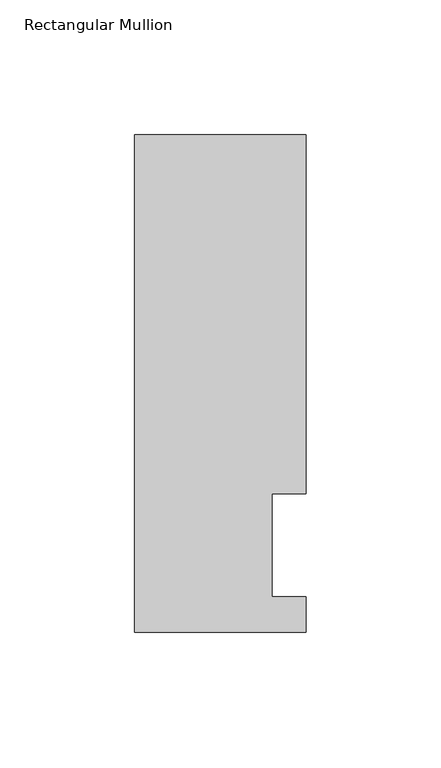
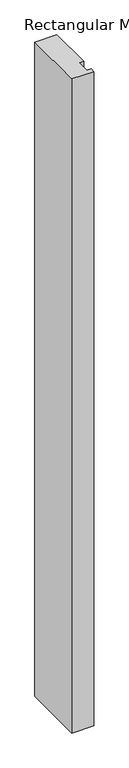
"""IFC4 building model written with IfcOpenShell, lengths in millimetres: member geometry, Rectangular Mullion."""

from ifc_helpers import new_model, si_unit, frame, origin, place, context, project, spatial, polyline, outline, extrude, source, transform, mapped, element, save


def rectangular_mullion_1346b5b5(model_context):
    return source(origin(), model_context, "Body", "SweptSolid", [
        extrude(outline(polyline([(19.05, 51.2960937), (19.05, 13.1960938), (31.75, 13.1960938), (31.75, 0.0134938), (-31.7500001, 0.0134938), (-31.7500001, 184.2396936), (31.7500001, 184.2396936), (31.7500001, 51.2960938), (19.05, 51.2960937)])), frame((0.0, 0.0, -1993.8872996), z_axis=(0.0, 0.0, 1.0), x_axis=(1.0, 0.0, 0.0)), (0.0, 0.0, 1.0), 1993.8872996),
    ])


if __name__ == "__main__":
    model = new_model("IFC4")
    model_context = context("Model", 3, world=origin())
    ifc_project = project(units=[si_unit("LENGTHUNIT", "METRE", prefix="MILLI")], contexts=[model_context])
    site = spatial("IfcSite", under=ifc_project)
    building = spatial("IfcBuilding", under=site)
    placement = place(None, origin())
    rectangular_mullion_shape = rectangular_mullion_1346b5b5(model_context)
    element("IfcMember", 1, ObjectType="Rectangular Mullion", at=placement, inside=building, context=model_context, shape_type="MappedRepresentation", body=[
        mapped(rectangular_mullion_shape, transform((0.0, 0.0, 0.0), x_axis=(1.0, 0.0, 0.0), y_axis=(0.0, 1.0, 0.0), z_axis=(0.0, 0.0, 1.0))),
    ])
    save(model, "model.ifc")
